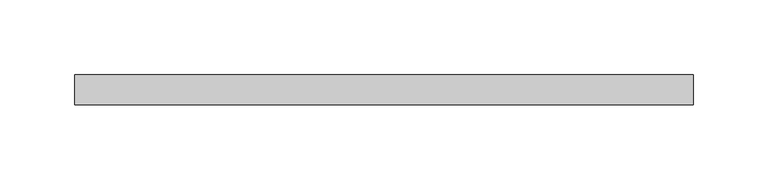
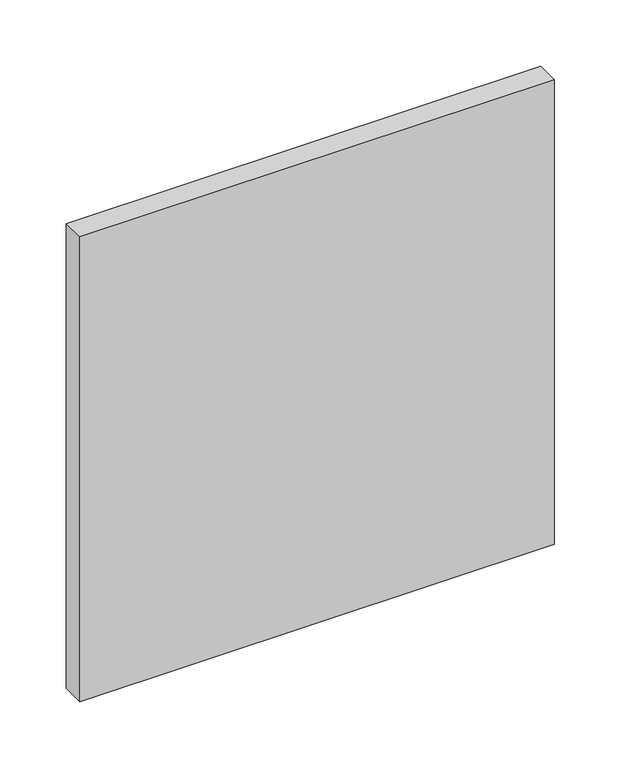
"""IFC4 building model written with IfcOpenShell, lengths in millimetres: plate geometry."""

from ifc_helpers import new_model, si_unit, origin, origin_with_axes, place, context, project, spatial, polyline, outline, extrude, source, transform, mapped, element, save


def plate_44f5b617(model_context):
    return source(origin(), model_context, "Body", "SweptSolid", [
        extrude(outline(polyline([(206.25, -90.0), (-206.25, -90.0), (-206.25, -70.0), (206.25, -70.0), (206.25, -90.0)])), origin_with_axes(), (0.0, 0.0, 1.0), 427.3076923),
    ])


if __name__ == "__main__":
    model = new_model("IFC4")
    model_context = context("Model", 3, world=origin())
    ifc_project = project(units=[si_unit("LENGTHUNIT", "METRE", prefix="MILLI")], contexts=[model_context])
    site = spatial("IfcSite", under=ifc_project)
    building = spatial("IfcBuilding", under=site)
    placement = place(None, origin())
    plate_shape = plate_44f5b617(model_context)
    element("IfcPlate", 1, at=placement, inside=building, context=model_context, shape_type="MappedRepresentation", body=[
        mapped(plate_shape, transform((0.0, 0.0, 0.0), x_axis=(1.0, 0.0, 0.0), y_axis=(0.0, 1.0, 0.0), z_axis=(0.0, 0.0, 1.0))),
    ])
    save(model, "model.ifc")
